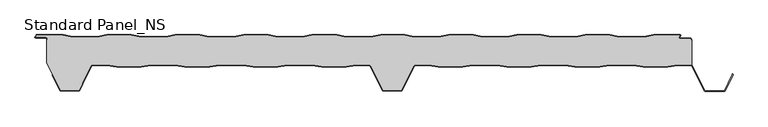
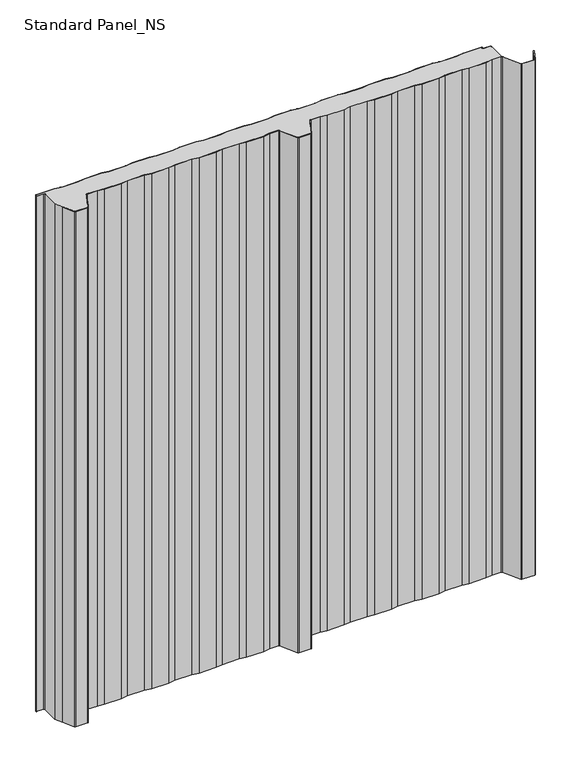
"""IFC4 building model written with IfcOpenShell, lengths in millimetres: proxy geometry, Standard Panel_NS."""

from ifc_helpers import new_model, si_unit, point, frame, frame_2d, origin, origin_with_axes, place, context, project, spatial, polyline, circle_curve, trimmed, segment, composite_curve, outline, extrude, source, transform, mapped, element, save
from ifc_brep_helpers import plane_surface, cylinder_surface, revolved_surface, advanced_brep


def standard_panel_ns_221d52ac(model_context):
    return source(origin(), model_context, "Body", "SolidModel", [
        advanced_brep(
        [(-464.8660923, -46.7, 1219.2), (-442.3904103, -46.7, 1219.2), (-427.5510173, -49.2, 1219.2), (-389.4758059, -49.2, 1219.2), (-374.6364129, -46.7, 1219.2), (-336.3904103, -46.7, 1219.2), (-321.5510173, -49.2, 1219.2), (-283.4758059, -49.2, 1219.2), (-268.6364129, -46.7, 1219.2), (-230.3904103, -46.7, 1219.2), (-215.5510173, -49.2, 1219.2), (-177.4758059, -49.2, 1219.2), (-162.6364129, -46.7, 1219.2), (-124.3904103, -46.7, 1219.2), (-109.5510173, -49.2, 1219.2), (-71.4758059, -49.2, 1219.2), (-56.6364129, -46.7, 1219.2), (-36.4221814, -46.7, 1219.2), (-33.648765, -48.415023, 1219.2), (-14.9196128, -85.9201502, 1219.2), (-13.5776371, -86.75, 1219.2), (13.5778186, -86.75, 1219.2), (14.9197943, -85.9201502, 1219.2), (33.6489464, -48.415023, 1219.2), (36.4223629, -46.7, 1219.2), (56.6365943, -46.7, 1219.2), (71.4759874, -49.2, 1219.2), (109.5511987, -49.2, 1219.2), (124.3905918, -46.7, 1219.2), (162.6365943, -46.7, 1219.2), (177.4759874, -49.2, 1219.2), (215.5511987, -49.2, 1219.2), (230.3905918, -46.7, 1219.2), (268.6365943, -46.7, 1219.2), (283.4759874, -49.2, 1219.2), (321.5511987, -49.2, 1219.2), (336.3905918, -46.7, 1219.2), (374.6365943, -46.7, 1219.2), (389.4759874, -49.2, 1219.2), (427.5511987, -49.2, 1219.2), (442.3905918, -46.7, 1219.2), (462.60413, -46.7, 1219.2), (464.2327461, -47.1622719, 1219.2), (464.2, -9.4, 1219.2), (463.3617336, -9.4, 1219.2), (463.3617336, -7.4001714, 1219.2), (462.0617343, -6.1001721, 1219.2), (446.4756642, -6.1001721, 1219.2), (444.965675, -3.3204106, 1219.2), (446.6010518, -0.8, 1219.2), (405.4929437, -0.8, 1219.2), (390.4929437, -3.3, 1219.2), (352.3605236, -3.3, 1219.2), (337.3605236, -0.8, 1219.2), (299.4929437, -0.8, 1219.2), (284.4929437, -3.3, 1219.2), (246.3605236, -3.3, 1219.2), (231.3605236, -0.8, 1219.2), (193.4929437, -0.8, 1219.2), (178.4929437, -3.3, 1219.2), (140.3605236, -3.3, 1219.2), (125.3605236, -0.8, 1219.2), (87.4929437, -0.8, 1219.2), (72.4929437, -3.3, 1219.2), (34.3605236, -3.3, 1219.2), (19.3605236, -0.8, 1219.2), (-18.0070563, -0.8, 1219.2), (-33.0070563, -3.3, 1219.2), (-71.1394764, -3.3, 1219.2), (-86.1394764, -0.8, 1219.2), (-124.5070563, -0.8, 1219.2), (-139.5070563, -3.3, 1219.2), (-177.6394764, -3.3, 1219.2), (-192.6394764, -0.8, 1219.2), (-230.5070563, -0.8, 1219.2), (-245.5070563, -3.3, 1219.2), (-283.6394764, -3.3, 1219.2), (-298.6394764, -0.8, 1219.2), (-336.5070563, -0.8, 1219.2), (-351.5070563, -3.3, 1219.2), (-389.6394764, -3.3, 1219.2), (-404.6394764, -0.8, 1219.2), (-442.5070563, -0.8, 1219.2), (-457.5070563, -3.3, 1219.2), (-495.6394764, -3.3, 1219.2), (-510.6394764, -0.8, 1219.2), (-551.4916498, -0.8, 1219.2), (-553.5680922, -4.0001723, 1219.2), (-537.2382661, -4.0001723, 1219.2), (-535.0382664, -6.2001721, 1219.2), (-535.0382664, -8.130172, 1219.2), (-535.8382664, -8.130172, 1219.2), (-535.7998185, -44.25, 1219.2), (-514.9196128, -85.9201502, 1219.2), (-513.5776371, -86.75, 1219.2), (-486.4221814, -86.75, 1219.2), (-485.0802057, -85.9201502, 1219.2), (-480.840508, -77.4301555, 1219.2), (-480.6503205, -75.7702853, 1219.2), (-480.4229673, -75.0045421, 1219.2), (-466.9237884, -47.9724364, 1219.2), (-464.8660923, -46.7, 0.0), (-466.9237884, -47.9724364, 0.0), (-480.4229673, -75.0045421, 0.0), (-480.6503205, -75.7702853, 0.0), (-480.840508, -77.4301555, 0.0), (-485.0802057, -85.9201502, 0.0), (-486.4221814, -86.75, 0.0), (-513.5776371, -86.75, 0.0), (-514.9196128, -85.9201502, 0.0), (-535.7286766, -44.25, 0.0), (-535.8382664, -8.130172, 0.0), (-535.0382664, -8.130172, 0.0), (-535.0382664, -6.2001721, 0.0), (-537.2382661, -4.0001723, 0.0), (-553.5680922, -4.0001723, 0.0), (-551.4916498, -0.8, 0.0), (-510.6394764, -0.8, 0.0), (-495.6394764, -3.3, 0.0), (-457.5070563, -3.3, 0.0), (-442.5070563, -0.8, 0.0), (-404.6394764, -0.8, 0.0), (-389.6394764, -3.3, 0.0), (-351.5070563, -3.3, 0.0), (-336.5070563, -0.8, 0.0), (-298.6394764, -0.8, 0.0), (-283.6394764, -3.3, 0.0), (-245.5070563, -3.3, 0.0), (-230.5070563, -0.8, 0.0), (-192.6394764, -0.8, 0.0), (-177.6394764, -3.3, 0.0), (-139.5070563, -3.3, 0.0), (-124.5070563, -0.8, 0.0), (-86.1394764, -0.8, 0.0), (-71.1394764, -3.3, 0.0), (-33.0070563, -3.3, 0.0), (-18.0070563, -0.8, 0.0), (19.3605236, -0.8, 0.0), (34.3605236, -3.3, 0.0), (72.4929437, -3.3, 0.0), (87.4929437, -0.8, 0.0), (125.3605236, -0.8, 0.0), (140.3605236, -3.3, 0.0), (178.4929437, -3.3, 0.0), (193.4929437, -0.8, 0.0), (231.3605236, -0.8, 0.0), (246.3605236, -3.3, 0.0), (284.4929437, -3.3, 0.0), (299.4929437, -0.8, 0.0), (337.3605236, -0.8, 0.0), (352.3605236, -3.3, 0.0), (390.4929437, -3.3, 0.0), (405.4929437, -0.8, 0.0), (446.6010518, -0.8, 0.0), (444.965675, -3.3204106, 0.0), (446.4756642, -6.1001721, 0.0), (462.0617343, -6.1001721, 0.0), (463.3617336, -7.4001714, 0.0), (463.3617336, -9.4001722, 0.0), (464.2, -9.4, 0.0), (464.2327461, -47.1622719, 0.0), (462.60413, -46.7, 0.0), (442.3905918, -46.7, 0.0), (427.5511987, -49.2, 0.0), (389.4759874, -49.2, 0.0), (374.6365943, -46.7, 0.0), (336.3905918, -46.7, 0.0), (321.5511987, -49.2, 0.0), (283.4759874, -49.2, 0.0), (268.6365943, -46.7, 0.0), (230.3905918, -46.7, 0.0), (215.5511987, -49.2, 0.0), (177.4759874, -49.2, 0.0), (162.6365943, -46.7, 0.0), (124.3905918, -46.7, 0.0), (109.5511987, -49.2, 0.0), (71.4759874, -49.2, 0.0), (56.6365943, -46.7, 0.0), (36.4223629, -46.7, 0.0), (33.6489464, -48.415023, 0.0), (14.9197943, -85.9201502, 0.0), (13.5778186, -86.75, 0.0), (-13.5776371, -86.75, 0.0), (-14.9196128, -85.9201502, 0.0), (-33.648765, -48.415023, 0.0), (-36.4221814, -46.7, 0.0), (-56.6364129, -46.7, 0.0), (-71.4758059, -49.2, 0.0), (-109.5510173, -49.2, 0.0), (-124.3904103, -46.7, 0.0), (-162.6364129, -46.7, 0.0), (-177.4758059, -49.2, 0.0), (-215.5510173, -49.2, 0.0), (-230.3904103, -46.7, 0.0), (-268.6364129, -46.7, 0.0), (-283.4758059, -49.2, 0.0), (-321.5510173, -49.2, 0.0), (-336.3904103, -46.7, 0.0), (-374.6364129, -46.7, 0.0), (-389.4758059, -49.2, 0.0), (-427.5510173, -49.2, 0.0), (-442.3904103, -46.7, 0.0)],
        [
            (0, 1),
            (1, 2),
            (2, 3),
            (3, 4),
            (4, 5),
            (5, 6),
            (6, 7),
            (7, 8),
            (8, 9),
            (9, 10),
            (10, 11),
            (11, 12),
            (12, 13),
            (13, 14),
            (14, 15),
            (15, 16),
            (16, 17),
            (17, 18, circle_curve(frame((-36.4221814, -49.8, 1219.2), z_axis=(0.0, 0.0, -1.0), x_axis=(-1.0, 0.0, 0.0)), 3.1)),
            (18, 19),
            (19, 20, circle_curve(frame((-13.5776371, -85.25, 1219.2), z_axis=(0.0, 0.0, 1.0), x_axis=(-1.0, 0.0, 0.0)), 1.5)),
            (20, 21),
            (21, 22, circle_curve(frame((13.5778186, -85.25, 1219.2), z_axis=(0.0, 0.0, 1.0), x_axis=(-1.0, 0.0, 0.0)), 1.5)),
            (22, 23),
            (23, 24, circle_curve(frame((36.4223629, -49.8, 1219.2), z_axis=(0.0, 0.0, -1.0), x_axis=(-1.0, 0.0, 0.0)), 3.1)),
            (24, 25),
            (25, 26),
            (26, 27),
            (27, 28),
            (28, 29),
            (29, 30),
            (30, 31),
            (31, 32),
            (32, 33),
            (33, 34),
            (34, 35),
            (35, 36),
            (36, 37),
            (37, 38),
            (38, 39),
            (39, 40),
            (40, 41),
            (41, 42, circle_curve(frame((462.60413, -49.8, 1219.2), z_axis=(0.0, 0.0, -1.0), x_axis=(-1.0, 0.0, 0.0)), 3.1)),
            (42, 43),
            (43, 44),
            (44, 45),
            (45, 46, circle_curve(frame((462.0617343, -7.4001714, 1219.2), z_axis=(0.0, 0.0, 1.0), x_axis=(-1.0, 0.0, 0.0)), 1.2999993)),
            (46, 47),
            (47, 48, circle_curve(frame((446.4756642, -4.3001721, 1219.2), z_axis=(0.0, 0.0, -1.0), x_axis=(-1.0, 0.0, 0.0)), 1.8)),
            (48, 49),
            (49, 50),
            (50, 51),
            (51, 52),
            (52, 53),
            (53, 54),
            (54, 55),
            (55, 56),
            (56, 57),
            (57, 58),
            (58, 59),
            (59, 60),
            (60, 61),
            (61, 62),
            (62, 63),
            (63, 64),
            (64, 65),
            (65, 66),
            (66, 67),
            (67, 68),
            (68, 69),
            (69, 70),
            (70, 71),
            (71, 72),
            (72, 73),
            (73, 74),
            (74, 75),
            (75, 76),
            (76, 77),
            (77, 78),
            (78, 79),
            (79, 80),
            (80, 81),
            (81, 82),
            (82, 83),
            (83, 84),
            (84, 85),
            (85, 86),
            (86, 87),
            (87, 88),
            (88, 89, circle_curve(frame((-537.2382661, -6.2001721, 1219.2), z_axis=(0.0, 0.0, -1.0), x_axis=(-1.0, 0.0, 0.0)), 2.1999997)),
            (89, 90),
            (90, 91),
            (91, 92),
            (92, 93),
            (93, 94, circle_curve(frame((-513.5776371, -85.25, 1219.2), z_axis=(0.0, 0.0, 1.0), x_axis=(-1.0, 0.0, 0.0)), 1.5)),
            (94, 95),
            (95, 96, circle_curve(frame((-486.4221814, -85.25, 1219.2), z_axis=(0.0, 0.0, 1.0), x_axis=(-1.0, 0.0, 0.0)), 1.5)),
            (96, 97),
            (97, 98),
            (98, 99, circle_curve(frame((-478.3652712, -76.0321057, 1219.2), z_axis=(0.0, 0.0, -1.0), x_axis=(-1.0, 0.0, 0.0)), 2.3)),
            (99, 100),
            (100, 0, circle_curve(frame((-464.8660923, -49.0, 1219.2), z_axis=(0.0, 0.0, -1.0), x_axis=(-1.0, 0.0, 0.0)), 2.3)),
            (101, 102, circle_curve(frame((-464.8660923, -49.0, 0.0), z_axis=(0.0, 0.0, 1.0), x_axis=(-1.0, 0.0, 0.0)), 2.3)),
            (102, 103),
            (103, 104, circle_curve(frame((-478.3652712, -76.0321057, 0.0), z_axis=(0.0, 0.0, 1.0), x_axis=(-1.0, 0.0, 0.0)), 2.3)),
            (104, 105),
            (105, 106),
            (106, 107, circle_curve(frame((-486.4221814, -85.25, 0.0), z_axis=(0.0, 0.0, -1.0), x_axis=(-1.0, 0.0, 0.0)), 1.5)),
            (107, 108),
            (108, 109, circle_curve(frame((-513.5776371, -85.25, 0.0), z_axis=(0.0, 0.0, -1.0), x_axis=(-1.0, 0.0, 0.0)), 1.5)),
            (109, 110),
            (110, 111),
            (111, 112),
            (112, 113),
            (113, 114, circle_curve(frame((-537.2382661, -6.2001721, 0.0), z_axis=(0.0, 0.0, 1.0), x_axis=(-1.0, 0.0, 0.0)), 2.1999997)),
            (114, 115),
            (115, 116),
            (116, 117),
            (117, 118),
            (118, 119),
            (119, 120),
            (120, 121),
            (121, 122),
            (122, 123),
            (123, 124),
            (124, 125),
            (125, 126),
            (126, 127),
            (127, 128),
            (128, 129),
            (129, 130),
            (130, 131),
            (131, 132),
            (132, 133),
            (133, 134),
            (134, 135),
            (135, 136),
            (136, 137),
            (137, 138),
            (138, 139),
            (139, 140),
            (140, 141),
            (141, 142),
            (142, 143),
            (143, 144),
            (144, 145),
            (145, 146),
            (146, 147),
            (147, 148),
            (148, 149),
            (149, 150),
            (150, 151),
            (151, 152),
            (152, 153),
            (153, 154),
            (154, 155, circle_curve(frame((446.4756642, -4.3001721, 0.0), z_axis=(0.0, 0.0, 1.0), x_axis=(-1.0, 0.0, 0.0)), 1.8)),
            (155, 156),
            (156, 157, circle_curve(frame((462.0617343, -7.4001714, 0.0), z_axis=(0.0, 0.0, -1.0), x_axis=(-1.0, 0.0, 0.0)), 1.2999993)),
            (157, 158),
            (158, 159),
            (159, 160),
            (160, 161, circle_curve(frame((462.60413, -49.8, 0.0), z_axis=(0.0, 0.0, 1.0), x_axis=(-1.0, 0.0, 0.0)), 3.1)),
            (161, 162),
            (162, 163),
            (163, 164),
            (164, 165),
            (165, 166),
            (166, 167),
            (167, 168),
            (168, 169),
            (169, 170),
            (170, 171),
            (171, 172),
            (172, 173),
            (173, 174),
            (174, 175),
            (175, 176),
            (176, 177),
            (177, 178),
            (178, 179, circle_curve(frame((36.4223629, -49.8, 0.0), z_axis=(0.0, 0.0, 1.0), x_axis=(-1.0, 0.0, 0.0)), 3.1)),
            (179, 180),
            (180, 181, circle_curve(frame((13.5778186, -85.25, 0.0), z_axis=(0.0, 0.0, -1.0), x_axis=(-1.0, 0.0, 0.0)), 1.5)),
            (181, 182),
            (182, 183, circle_curve(frame((-13.5776371, -85.25, 0.0), z_axis=(0.0, 0.0, -1.0), x_axis=(-1.0, 0.0, 0.0)), 1.5)),
            (183, 184),
            (184, 185, circle_curve(frame((-36.4221814, -49.8, 0.0), z_axis=(0.0, 0.0, 1.0), x_axis=(-1.0, 0.0, 0.0)), 3.1)),
            (185, 186),
            (186, 187),
            (187, 188),
            (188, 189),
            (189, 190),
            (190, 191),
            (191, 192),
            (192, 193),
            (193, 194),
            (194, 195),
            (195, 196),
            (196, 197),
            (197, 198),
            (198, 199),
            (199, 200),
            (200, 201),
            (201, 101),
            (100, 102),
            (101, 0),
            (99, 103),
            (98, 104),
            (97, 105),
            (96, 106),
            (95, 107),
            (94, 108),
            (93, 109),
            (92, 110),
            (159, 43),
            (42, 160),
            (41, 161),
            (40, 162),
            (39, 163),
            (38, 164),
            (37, 165),
            (36, 166),
            (35, 167),
            (34, 168),
            (33, 169),
            (32, 170),
            (31, 171),
            (30, 172),
            (29, 173),
            (28, 174),
            (27, 175),
            (26, 176),
            (25, 177),
            (24, 178),
            (23, 179),
            (22, 180),
            (21, 181),
            (20, 182),
            (19, 183),
            (18, 184),
            (17, 185),
            (16, 186),
            (15, 187),
            (14, 188),
            (13, 189),
            (12, 190),
            (11, 191),
            (10, 192),
            (9, 193),
            (8, 194),
            (7, 195),
            (6, 196),
            (5, 197),
            (4, 198),
            (3, 199),
            (2, 200),
            (1, 201),
            (158, 44),
            (91, 111),
            (88, 114),
            (113, 89),
            (87, 115),
            (86, 116),
            (85, 117),
            (84, 118),
            (83, 119),
            (82, 120),
            (81, 121),
            (80, 122),
            (79, 123),
            (78, 124),
            (77, 125),
            (76, 126),
            (75, 127),
            (74, 128),
            (73, 129),
            (72, 130),
            (71, 131),
            (70, 132),
            (69, 133),
            (68, 134),
            (67, 135),
            (66, 136),
            (65, 137),
            (64, 138),
            (63, 139),
            (62, 140),
            (61, 141),
            (60, 142),
            (59, 143),
            (58, 144),
            (57, 145),
            (56, 146),
            (55, 147),
            (54, 148),
            (53, 149),
            (52, 150),
            (51, 151),
            (50, 152),
            (49, 153),
            (48, 154),
            (47, 155),
            (46, 156),
            (45, 157),
            (90, 112),
        ],
        [
            plane_surface(frame((9.07e-05, -49.2, 1219.2), z_axis=(0.0, 0.0, 1.0), x_axis=(0.0, -1.0, 0.0))),
            plane_surface(frame((9.07e-05, -49.2, 0.0), z_axis=(0.0, 0.0, -1.0), x_axis=(0.0, -1.0, 0.0))),
            revolved_surface(polyline([(-467.1660923, -49.0, 0.0), (-467.1660923, -49.0, 1219.2)]), (-464.8660923, -49.0, 1219.2), (0.0, 0.0, -1.0)),
            plane_surface(frame((-466.9237884, -47.9724364, 1219.2), z_axis=(0.8946504628058127, -0.44676677293789996, 0.0), x_axis=(0.0, 0.0, -1.0))),
            revolved_surface(polyline([(-480.6652712, -76.0321057, 0.0), (-480.6652712, -76.0321057, 1219.2)]), (-478.3652712, -76.0321057, 1219.2), (0.0, 0.0, -1.0)),
            plane_surface(frame((-480.6503205, -75.7702853, 1219.2), z_axis=(0.9934996737929253, -0.113834960242235, 0.0), x_axis=(0.0, 0.0, -1.0))),
            plane_surface(frame((-480.840508, -77.4301555, 1219.2), z_axis=(0.8946504628055771, -0.44676677293837186, 0.0), x_axis=(0.0, 0.0, -1.0))),
            cylinder_surface(frame((-486.4221814, -85.25, 1219.2), z_axis=(0.0, 0.0, 1.0), x_axis=(-1.0, 0.0, 0.0)), 1.5),
            plane_surface(frame((-486.4221814, -86.75, 1219.2), z_axis=(0.0, -1.0, 0.0), x_axis=(0.0, 0.0, -1.0))),
            cylinder_surface(frame((-513.5776371, -85.25, 1219.2), z_axis=(0.0, 0.0, 1.0), x_axis=(-1.0, 0.0, 0.0)), 1.5),
            plane_surface(frame((-514.9196128, -85.9201502, 1219.2), z_axis=(-0.8946504628064579, -0.44676677293660805, 0.0), x_axis=(0.0, 0.0, -1.0))),
            plane_surface(frame((464.2327461, -44.25, 1219.2), z_axis=(1.0, 0.0, 0.0), x_axis=(0.0, 0.0, -1.0))),
            revolved_surface(polyline([(459.50413, -49.8, 0.0), (459.50413, -49.8, 1219.2)]), (462.60413, -49.8, 1219.2), (0.0, 0.0, -1.0)),
            plane_surface(frame((462.60413, -46.7, 1219.2), z_axis=(0.0, -1.0, 0.0), x_axis=(0.0, 0.0, -1.0))),
            plane_surface(frame((442.3905918, -46.7, 1219.2), z_axis=(0.16612942863435848, -0.9861039564577467, 0.0), x_axis=(0.0, 0.0, -1.0))),
            plane_surface(frame((427.5511987, -49.2, 1219.2), z_axis=(0.0, -1.0, 0.0), x_axis=(0.0, 0.0, -1.0))),
            plane_surface(frame((389.4759874, -49.2, 1219.2), z_axis=(-0.16612942863454067, -0.9861039564577161, 0.0), x_axis=(0.0, 0.0, -1.0))),
            plane_surface(frame((374.6365943, -46.7, 1219.2), z_axis=(0.0, -1.0, 0.0), x_axis=(0.0, 0.0, -1.0))),
            plane_surface(frame((336.3905918, -46.7, 1219.2), z_axis=(0.1661294286345235, -0.986103956457719, 0.0), x_axis=(0.0, 0.0, -1.0))),
            plane_surface(frame((321.5511987, -49.2, 1219.2), z_axis=(0.0, -1.0, 0.0), x_axis=(0.0, 0.0, -1.0))),
            plane_surface(frame((283.4759874, -49.2, 1219.2), z_axis=(-0.16612942863454067, -0.9861039564577161, 0.0), x_axis=(0.0, 0.0, -1.0))),
            plane_surface(frame((268.6365943, -46.7, 1219.2), z_axis=(0.0, -1.0, 0.0), x_axis=(0.0, 0.0, -1.0))),
            plane_surface(frame((230.3905918, -46.7, 1219.2), z_axis=(0.16612942863435848, -0.9861039564577467, 0.0), x_axis=(0.0, 0.0, -1.0))),
            plane_surface(frame((215.5511987, -49.2, 1219.2), z_axis=(0.0, -1.0, 0.0), x_axis=(0.0, 0.0, -1.0))),
            plane_surface(frame((177.4759874, -49.2, 1219.2), z_axis=(-0.16612942863472926, -0.9861039564576843, 0.0), x_axis=(0.0, 0.0, -1.0))),
            plane_surface(frame((162.6365943, -46.7, 1219.2), z_axis=(0.0, -1.0, 0.0), x_axis=(0.0, 0.0, -1.0))),
            plane_surface(frame((124.3905918, -46.7, 1219.2), z_axis=(0.1661294286345235, -0.986103956457719, 0.0), x_axis=(0.0, 0.0, -1.0))),
            plane_surface(frame((109.5511987, -49.2, 1219.2), z_axis=(0.0, -1.0, 0.0), x_axis=(0.0, 0.0, -1.0))),
            plane_surface(frame((71.4759874, -49.2, 1219.2), z_axis=(-0.16612942863435204, -0.9861039564577478, 0.0), x_axis=(0.0, 0.0, -1.0))),
            plane_surface(frame((56.6365943, -46.7, 1219.2), z_axis=(0.0, -1.0, 0.0), x_axis=(0.0, 0.0, -1.0))),
            revolved_surface(polyline([(33.3223629, -49.8, 0.0), (33.3223629, -49.8, 1219.2)]), (36.4223629, -49.8, 1219.2), (0.0, 0.0, -1.0)),
            plane_surface(frame((33.6489464, -48.415023, 1219.2), z_axis=(0.8946504628060804, -0.44676677293736405, 0.0), x_axis=(0.0, 0.0, -1.0))),
            cylinder_surface(frame((13.5778186, -85.25, 1219.2), z_axis=(0.0, 0.0, 1.0), x_axis=(-1.0, 0.0, 0.0)), 1.5),
            plane_surface(frame((13.5778186, -86.75, 1219.2), z_axis=(0.0, -1.0, 0.0), x_axis=(0.0, 0.0, -1.0))),
            cylinder_surface(frame((-13.5776371, -85.25, 1219.2), z_axis=(0.0, 0.0, 1.0), x_axis=(-1.0, 0.0, 0.0)), 1.5),
            plane_surface(frame((-14.9196128, -85.9201502, 1219.2), z_axis=(-0.8946504628059846, -0.4467667729375559, 0.0), x_axis=(0.0, 0.0, -1.0))),
            revolved_surface(polyline([(-39.5221814, -49.8, 0.0), (-39.5221814, -49.8, 1219.2)]), (-36.4221814, -49.8, 1219.2), (0.0, 0.0, -1.0)),
            plane_surface(frame((-36.4221814, -46.7, 1219.2), z_axis=(0.0, -1.0, 0.0), x_axis=(0.0, 0.0, -1.0))),
            plane_surface(frame((-56.6364129, -46.7, 1219.2), z_axis=(0.16612942863461477, -0.9861039564577035, 0.0), x_axis=(0.0, 0.0, -1.0))),
            plane_surface(frame((-71.4758059, -49.2, 1219.2), z_axis=(0.0, -1.0, 0.0), x_axis=(0.0, 0.0, -1.0))),
            plane_surface(frame((-109.5510173, -49.2, 1219.2), z_axis=(-0.16612942863482053, -0.9861039564576689, 0.0), x_axis=(0.0, 0.0, -1.0))),
            plane_surface(frame((-124.3904103, -46.7, 1219.2), z_axis=(0.0, -1.0, 0.0), x_axis=(0.0, 0.0, -1.0))),
            plane_surface(frame((-162.6364129, -46.7, 1219.2), z_axis=(0.16612942863457067, -0.986103956457711, 0.0), x_axis=(0.0, 0.0, -1.0))),
            plane_surface(frame((-177.4758059, -49.2, 1219.2), z_axis=(0.0, -1.0, 0.0), x_axis=(0.0, 0.0, -1.0))),
            plane_surface(frame((-215.5510173, -49.2, 1219.2), z_axis=(-0.16612942863435204, -0.9861039564577478, 0.0), x_axis=(0.0, 0.0, -1.0))),
            plane_surface(frame((-230.3904103, -46.7, 1219.2), z_axis=(0.0, -1.0, 0.0), x_axis=(0.0, 0.0, -1.0))),
            plane_surface(frame((-268.6364129, -46.7, 1219.2), z_axis=(0.1661294286345471, -0.986103956457715, 0.0), x_axis=(0.0, 0.0, -1.0))),
            plane_surface(frame((-283.4758059, -49.2, 1219.2), z_axis=(0.0, -1.0, 0.0), x_axis=(0.0, 0.0, -1.0))),
            plane_surface(frame((-321.5510173, -49.2, 1219.2), z_axis=(-0.16612942863454067, -0.9861039564577161, 0.0), x_axis=(0.0, 0.0, -1.0))),
            plane_surface(frame((-336.3904103, -46.7, 1219.2), z_axis=(0.0, -1.0, 0.0), x_axis=(0.0, 0.0, -1.0))),
            plane_surface(frame((-374.6364129, -46.7, 1219.2), z_axis=(0.1661294286345471, -0.986103956457715, 0.0), x_axis=(0.0, 0.0, -1.0))),
            plane_surface(frame((-389.4758059, -49.2, 1219.2), z_axis=(0.0, -1.0, 0.0), x_axis=(0.0, 0.0, -1.0))),
            plane_surface(frame((-427.5510173, -49.2, 1219.2), z_axis=(-0.16612942863472926, -0.9861039564576843, 0.0), x_axis=(0.0, 0.0, -1.0))),
            plane_surface(frame((-442.3904103, -46.7, 1219.2), z_axis=(0.0, -1.0, 0.0), x_axis=(0.0, 0.0, -1.0))),
            plane_surface(frame((-535.7998185, -9.4, 1219.2), z_axis=(0.0, 1.0, 0.0), x_axis=(0.0, 0.0, -1.0))),
            plane_surface(frame((-535.7998185, -44.25, 1219.2), z_axis=(-1.0, 0.0, 0.0), x_axis=(0.0, 0.0, -1.0))),
            revolved_surface(polyline([(-539.4382658000001, -6.2001721, 0.0), (-539.4382658000001, -6.2001721, 1219.2)]), (-537.2382661, -6.2001721, 1219.2), (0.0, 0.0, -1.0)),
            plane_surface(frame((-537.2382661, -4.0001723, 1219.2), z_axis=(0.0, -1.0, 0.0), x_axis=(0.0, 0.0, -1.0))),
            plane_surface(frame((-553.5680922, -4.0001723, 1219.2), z_axis=(-0.8388828900560089, 0.5443119480328152, 0.0), x_axis=(0.0, 0.0, -1.0))),
            plane_surface(frame((-551.4916498, -0.8, 1219.2), z_axis=(0.0, 1.0, 0.0), x_axis=(0.0, 0.0, -1.0))),
            plane_surface(frame((-510.6394764, -0.8, 1219.2), z_axis=(0.16439898730529637, 0.986393923832154, 0.0), x_axis=(0.0, 0.0, -1.0))),
            plane_surface(frame((-495.6394764, -3.3, 1219.2), z_axis=(0.0, 1.0, 0.0), x_axis=(0.0, 0.0, -1.0))),
            plane_surface(frame((-457.5070563, -3.3, 1219.2), z_axis=(-0.1643989873053497, 0.9863939238321451, 0.0), x_axis=(0.0, 0.0, -1.0))),
            plane_surface(frame((-442.5070563, -0.8, 1219.2), z_axis=(0.0, 1.0, 0.0), x_axis=(0.0, 0.0, -1.0))),
            plane_surface(frame((-404.6394764, -0.8, 1219.2), z_axis=(0.16439898730534544, 0.9863939238321457, 0.0), x_axis=(0.0, 0.0, -1.0))),
            plane_surface(frame((-389.6394764, -3.3, 1219.2), z_axis=(0.0, 1.0, 0.0), x_axis=(0.0, 0.0, -1.0))),
            plane_surface(frame((-351.5070563, -3.3, 1219.2), z_axis=(-0.16439898730537528, 0.9863939238321408, 0.0), x_axis=(0.0, 0.0, -1.0))),
            plane_surface(frame((-336.5070563, -0.8, 1219.2), z_axis=(0.0, 1.0, 0.0), x_axis=(0.0, 0.0, -1.0))),
            plane_surface(frame((-298.6394764, -0.8, 1219.2), z_axis=(0.16439898730518882, 0.9863939238321718, 0.0), x_axis=(0.0, 0.0, -1.0))),
            plane_surface(frame((-283.6394764, -3.3, 1219.2), z_axis=(0.0, 1.0, 0.0), x_axis=(0.0, 0.0, -1.0))),
            plane_surface(frame((-245.5070563, -3.3, 1219.2), z_axis=(-0.16439898730526595, 0.986393923832159, 0.0), x_axis=(0.0, 0.0, -1.0))),
            plane_surface(frame((-230.5070563, -0.8, 1219.2), z_axis=(0.0, 1.0, 0.0), x_axis=(0.0, 0.0, -1.0))),
            plane_surface(frame((-192.6394764, -0.8, 1219.2), z_axis=(0.1643989873054454, 0.9863939238321291, 0.0), x_axis=(0.0, 0.0, -1.0))),
            plane_surface(frame((-177.6394764, -3.3, 1219.2), z_axis=(0.0, 1.0, 0.0), x_axis=(0.0, 0.0, -1.0))),
            plane_surface(frame((-139.5070563, -3.3, 1219.2), z_axis=(-0.16439898730351146, 0.9863939238324514, 0.0), x_axis=(0.0, 0.0, -1.0))),
            plane_surface(frame((-124.5070563, -0.8, 1219.2), z_axis=(0.0, 1.0, 0.0), x_axis=(0.0, 0.0, -1.0))),
            plane_surface(frame((-86.1394764, -0.8, 1219.2), z_axis=(0.16439898730531116, 0.9863939238321515, 0.0), x_axis=(0.0, 0.0, -1.0))),
            plane_surface(frame((-71.1394764, -3.3, 1219.2), z_axis=(0.0, 1.0, 0.0), x_axis=(0.0, 0.0, -1.0))),
            plane_surface(frame((-33.0070563, -3.3, 1219.2), z_axis=(-0.1643989873007139, 0.9863939238329177, 0.0), x_axis=(0.0, 0.0, -1.0))),
            plane_surface(frame((-18.0070563, -0.8, 1219.2), z_axis=(0.0, 1.0, 0.0), x_axis=(0.0, 0.0, -1.0))),
            plane_surface(frame((19.3605236, -0.8, 1219.2), z_axis=(0.16439898730276062, 0.9863939238325765, 0.0), x_axis=(0.0, 0.0, -1.0))),
            plane_surface(frame((34.3605236, -3.3, 1219.2), z_axis=(0.0, 1.0, 0.0), x_axis=(0.0, 0.0, -1.0))),
            plane_surface(frame((72.4929437, -3.3, 1219.2), z_axis=(-0.1643989873053467, 0.9863939238321456, 0.0), x_axis=(0.0, 0.0, -1.0))),
            plane_surface(frame((87.4929437, -0.8, 1219.2), z_axis=(0.0, 1.0, 0.0), x_axis=(0.0, 0.0, -1.0))),
            plane_surface(frame((125.3605236, -0.8, 1219.2), z_axis=(0.1643989873053679, 0.9863939238321421, 0.0), x_axis=(0.0, 0.0, -1.0))),
            plane_surface(frame((140.3605236, -3.3, 1219.2), z_axis=(0.0, 1.0, 0.0), x_axis=(0.0, 0.0, -1.0))),
            plane_surface(frame((178.4929437, -3.3, 1219.2), z_axis=(-0.1643989873053467, 0.9863939238321456, 0.0), x_axis=(0.0, 0.0, -1.0))),
            plane_surface(frame((193.4929437, -0.8, 1219.2), z_axis=(0.0, 1.0, 0.0), x_axis=(0.0, 0.0, -1.0))),
            plane_surface(frame((231.3605236, -0.8, 1219.2), z_axis=(0.16439898730518315, 0.9863939238321728, 0.0), x_axis=(0.0, 0.0, -1.0))),
            plane_surface(frame((246.3605236, -3.3, 1219.2), z_axis=(0.0, 1.0, 0.0), x_axis=(0.0, 0.0, -1.0))),
            plane_surface(frame((284.4929437, -3.3, 1219.2), z_axis=(-0.1643989873053467, 0.9863939238321456, 0.0), x_axis=(0.0, 0.0, -1.0))),
            plane_surface(frame((299.4929437, -0.8, 1219.2), z_axis=(0.0, 1.0, 0.0), x_axis=(0.0, 0.0, -1.0))),
            plane_surface(frame((337.3605236, -0.8, 1219.2), z_axis=(0.1643989873053679, 0.9863939238321421, 0.0), x_axis=(0.0, 0.0, -1.0))),
            plane_surface(frame((352.3605236, -3.3, 1219.2), z_axis=(0.0, 1.0, 0.0), x_axis=(0.0, 0.0, -1.0))),
            plane_surface(frame((390.4929437, -3.3, 1219.2), z_axis=(-0.16439898730516195, 0.9863939238321764, 0.0), x_axis=(0.0, 0.0, -1.0))),
            plane_surface(frame((405.4929437, -0.8, 1219.2), z_axis=(0.0, 1.0, 0.0), x_axis=(0.0, 0.0, -1.0))),
            plane_surface(frame((446.6010518, -0.8, 1219.2), z_axis=(0.8388828900539764, -0.5443119480359477, 0.0), x_axis=(0.0, 0.0, -1.0))),
            revolved_surface(polyline([(444.67566419999997, -4.3001721, 0.0), (444.67566419999997, -4.3001721, 1219.2)]), (446.4756642, -4.3001721, 1219.2), (0.0, 0.0, -1.0)),
            plane_surface(frame((446.4756642, -6.1001721, 1219.2), z_axis=(0.0, 1.0, 0.0), x_axis=(0.0, 0.0, -1.0))),
            cylinder_surface(frame((462.0617343, -7.4001714, 1219.2), z_axis=(0.0, 0.0, 1.0), x_axis=(-1.0, 0.0, 0.0)), 1.2999993),
            plane_surface(frame((463.3617336, -7.4001714, 1219.2), z_axis=(1.0, 0.0, 0.0), x_axis=(0.0, 0.0, -1.0))),
            plane_surface(frame((-535.8382664, -8.130172, 1219.2), z_axis=(0.0, 1.0, 0.0), x_axis=(0.0, 0.0, -1.0))),
            plane_surface(frame((-535.0382664, -8.130172, 1219.2), z_axis=(-1.0, 0.0, 0.0), x_axis=(0.0, 0.0, -1.0))),
        ],
        [
            (0, [[1, 2, 3, 4, 5, 6, 7, 8, 9, 10, 11, 12, 13, 14, 15, 16, 17, 18, 19, 20, 21, 22, 23, 24, 25, 26, 27, 28, 29, 30, 31, 32, 33, 34, 35, 36, 37, 38, 39, 40, 41, 42, 43, 44, 45, 46, 47, 48, 49, 50, 51, 52, 53, 54, 55, 56, 57, 58, 59, 60, 61, 62, 63, 64, 65, 66, 67, 68, 69, 70, 71, 72, 73, 74, 75, 76, 77, 78, 79, 80, 81, 82, 83, 84, 85, 86, 87, 88, 89, 90, 91, 92, 93, 94, 95, 96, 97, 98, 99, 100, 101]]),
            (1, [[102, 103, 104, 105, 106, 107, 108, 109, 110, 111, 112, 113, 114, 115, 116, 117, 118, 119, 120, 121, 122, 123, 124, 125, 126, 127, 128, 129, 130, 131, 132, 133, 134, 135, 136, 137, 138, 139, 140, 141, 142, 143, 144, 145, 146, 147, 148, 149, 150, 151, 152, 153, 154, 155, 156, 157, 158, 159, 160, 161, 162, 163, 164, 165, 166, 167, 168, 169, 170, 171, 172, 173, 174, 175, 176, 177, 178, 179, 180, 181, 182, 183, 184, 185, 186, 187, 188, 189, 190, 191, 192, 193, 194, 195, 196, 197, 198, 199, 200, 201, 202]]),
            (2, [[203, -102, 204, -101]]),
            (3, [[205, -103, -203, -100]]),
            (4, [[206, -104, -205, -99]]),
            (5, [[207, -105, -206, -98]]),
            (6, [[208, -106, -207, -97]]),
            (7, [[209, -107, -208, -96]]),
            (8, [[210, -108, -209, -95]]),
            (9, [[211, -109, -210, -94]]),
            (10, [[212, -110, -211, -93]]),
            (11, [[-160, 213, -43, 214]]),
            (12, [[215, -161, -214, -42]]),
            (13, [[216, -162, -215, -41]]),
            (14, [[217, -163, -216, -40]]),
            (15, [[218, -164, -217, -39]]),
            (16, [[219, -165, -218, -38]]),
            (17, [[220, -166, -219, -37]]),
            (18, [[221, -167, -220, -36]]),
            (19, [[222, -168, -221, -35]]),
            (20, [[223, -169, -222, -34]]),
            (21, [[224, -170, -223, -33]]),
            (22, [[225, -171, -224, -32]]),
            (23, [[226, -172, -225, -31]]),
            (24, [[227, -173, -226, -30]]),
            (25, [[228, -174, -227, -29]]),
            (26, [[229, -175, -228, -28]]),
            (27, [[230, -176, -229, -27]]),
            (28, [[231, -177, -230, -26]]),
            (29, [[232, -178, -231, -25]]),
            (30, [[233, -179, -232, -24]]),
            (31, [[234, -180, -233, -23]]),
            (32, [[235, -181, -234, -22]]),
            (33, [[236, -182, -235, -21]]),
            (34, [[237, -183, -236, -20]]),
            (35, [[238, -184, -237, -19]]),
            (36, [[239, -185, -238, -18]]),
            (37, [[240, -186, -239, -17]]),
            (38, [[241, -187, -240, -16]]),
            (39, [[242, -188, -241, -15]]),
            (40, [[243, -189, -242, -14]]),
            (41, [[244, -190, -243, -13]]),
            (42, [[245, -191, -244, -12]]),
            (43, [[246, -192, -245, -11]]),
            (44, [[247, -193, -246, -10]]),
            (45, [[248, -194, -247, -9]]),
            (46, [[249, -195, -248, -8]]),
            (47, [[250, -196, -249, -7]]),
            (48, [[251, -197, -250, -6]]),
            (49, [[252, -198, -251, -5]]),
            (50, [[253, -199, -252, -4]]),
            (51, [[254, -200, -253, -3]]),
            (52, [[255, -201, -254, -2]]),
            (53, [[-204, -202, -255, -1]]),
            (54, [[-159, 256, -44, -213]]),
            (55, [[257, -111, -212, -92]]),
            (56, [[258, -114, 259, -89]]),
            (57, [[260, -115, -258, -88]]),
            (58, [[261, -116, -260, -87]]),
            (59, [[262, -117, -261, -86]]),
            (60, [[263, -118, -262, -85]]),
            (61, [[264, -119, -263, -84]]),
            (62, [[265, -120, -264, -83]]),
            (63, [[266, -121, -265, -82]]),
            (64, [[267, -122, -266, -81]]),
            (65, [[268, -123, -267, -80]]),
            (66, [[269, -124, -268, -79]]),
            (67, [[270, -125, -269, -78]]),
            (68, [[271, -126, -270, -77]]),
            (69, [[272, -127, -271, -76]]),
            (70, [[273, -128, -272, -75]]),
            (71, [[274, -129, -273, -74]]),
            (72, [[275, -130, -274, -73]]),
            (73, [[276, -131, -275, -72]]),
            (74, [[277, -132, -276, -71]]),
            (75, [[278, -133, -277, -70]]),
            (76, [[279, -134, -278, -69]]),
            (77, [[280, -135, -279, -68]]),
            (78, [[281, -136, -280, -67]]),
            (79, [[282, -137, -281, -66]]),
            (80, [[283, -138, -282, -65]]),
            (81, [[284, -139, -283, -64]]),
            (82, [[285, -140, -284, -63]]),
            (83, [[286, -141, -285, -62]]),
            (84, [[287, -142, -286, -61]]),
            (85, [[288, -143, -287, -60]]),
            (86, [[289, -144, -288, -59]]),
            (87, [[290, -145, -289, -58]]),
            (88, [[291, -146, -290, -57]]),
            (89, [[292, -147, -291, -56]]),
            (90, [[293, -148, -292, -55]]),
            (91, [[294, -149, -293, -54]]),
            (92, [[295, -150, -294, -53]]),
            (93, [[296, -151, -295, -52]]),
            (94, [[297, -152, -296, -51]]),
            (95, [[298, -153, -297, -50]]),
            (96, [[299, -154, -298, -49]]),
            (97, [[300, -155, -299, -48]]),
            (98, [[301, -156, -300, -47]]),
            (99, [[302, -157, -301, -46]]),
            (100, [[-256, -158, -302, -45]]),
            (101, [[303, -112, -257, -91]]),
            (102, [[-259, -113, -303, -90]]),
        ],
    ),
        extrude(outline(composite_curve([segment(trimmed(circle_curve(frame_2d((-537.2382661, -6.2001721)), 1.3999997), [point((-535.8382664, -6.2001721))], [point((-537.2382661, -4.8001723))], True, "CARTESIAN"), True, "CONTINUOUS"), segment(polyline([(-537.2382661, -4.8001723), (-553.1999093, -4.8001723)]), True, "CONTINUOUS"), segment(trimmed(circle_curve(frame_2d((-553.1999093, -3.8001723)), 1.0), [point((-553.1999093, -4.8001723))], [point((-554.0387922, -3.2558604))], False, "CARTESIAN"), True, "CONTINUOUS"), segment(polyline([(-554.0387922, -3.2558604), (-552.2218911, -0.4556881)]), True, "CONTINUOUS"), segment(trimmed(circle_curve(frame_2d((-551.3830082, -1.0)), 1.0), [point((-552.2218911, -0.4556881))], [point((-551.3830082, 0.0))], False, "CARTESIAN"), True, "CONTINUOUS"), segment(polyline([(-551.3830082, 0.0), (-510.5732664, 0.0), (-495.5732664, -2.5), (-457.5732664, -2.5), (-442.5732664, 0.0), (-404.5732664, 0.0), (-389.5732664, -2.5), (-351.5732664, -2.5), (-336.5732664, 0.0), (-298.5732664, 0.0), (-283.5732664, -2.5), (-245.5732664, -2.5), (-230.5732664, 0.0), (-192.5732664, 0.0), (-177.5732664, -2.5), (-139.5732664, -2.5), (-124.5732664, 0.0), (-86.0732664, 0.0), (-71.0732664, -2.5), (-33.0732664, -2.5), (-18.0732664, 0.0), (19.4267336, 0.0), (34.4267336, -2.5), (72.4267336, -2.5), (87.4267336, 0.0), (125.4267336, 0.0), (140.4267336, -2.5), (178.4267336, -2.5), (193.4267336, 0.0), (231.4267336, 0.0), (246.4267336, -2.5), (284.4267336, -2.5), (299.4267336, 0.0), (337.4267336, 0.0), (352.4267336, -2.5), (390.4267336, -2.5), (405.4267336, 0.0), (446.2328688, 0.0)]), True, "CONTINUOUS"), segment(trimmed(circle_curve(frame_2d((446.2328688, -1.0)), 1.0), [point((446.2328688, 0.0))], [point((447.0717517, -1.5443119))], False, "CARTESIAN"), True, "CONTINUOUS"), segment(polyline([(447.0717517, -1.5443119), (445.6367813, -3.7558601)]), True, "CONTINUOUS"), segment(trimmed(circle_curve(frame_2d((446.4756642, -4.3001721)), 1.0), [point((445.6367813, -3.7558601))], [point((446.4756642, -5.3001721))], True, "CARTESIAN"), True, "CONTINUOUS"), segment(polyline([(446.4756642, -5.3001721), (462.0617343, -5.3001721)]), True, "CONTINUOUS"), segment(trimmed(circle_curve(frame_2d((462.0617343, -7.4001714)), 2.0999993), [point((462.0617343, -5.3001721))], [point((464.1617336, -7.4001714))], False, "CARTESIAN"), True, "CONTINUOUS"), segment(polyline([(464.1617336, -7.4001714), (464.1617336, -9.4001722), (463.3617336, -9.4001722), (463.3617336, -7.4001714)]), True, "CONTINUOUS"), segment(trimmed(circle_curve(frame_2d((462.0617343, -7.4001714)), 1.2999993), [point((463.3617336, -7.4001714))], [point((462.0617343, -6.1001721))], True, "CARTESIAN"), True, "CONTINUOUS"), segment(polyline([(462.0617343, -6.1001721), (446.4756642, -6.1001721)]), True, "CONTINUOUS"), segment(trimmed(circle_curve(frame_2d((446.4756642, -4.3001721)), 1.8), [point((446.4756642, -6.1001721))], [point((444.965675, -3.3204106))], False, "CARTESIAN"), True, "CONTINUOUS"), segment(polyline([(444.965675, -3.3204106), (446.6010518, -0.8), (405.4929437, -0.8), (390.4929437, -3.3), (352.3605236, -3.3), (337.3605236, -0.8), (299.4929437, -0.8), (284.4929437, -3.3), (246.3605236, -3.3), (231.3605236, -0.8), (193.4929437, -0.8), (178.4929437, -3.3), (140.3605236, -3.3), (125.3605236, -0.8), (87.4929437, -0.8), (72.4929437, -3.3), (34.3605236, -3.3), (19.3605236, -0.8), (-18.0070563, -0.8), (-33.0070563, -3.3), (-71.1394764, -3.3), (-86.1394764, -0.8), (-124.5070563, -0.8), (-139.5070563, -3.3), (-177.6394764, -3.3), (-192.6394764, -0.8), (-230.5070563, -0.8), (-245.5070563, -3.3), (-283.6394764, -3.3), (-298.6394764, -0.8), (-336.5070563, -0.8), (-351.5070563, -3.3), (-389.6394764, -3.3), (-404.6394764, -0.8), (-442.5070563, -0.8), (-457.5070563, -3.3), (-495.6394764, -3.3), (-510.6394764, -0.8), (-551.4916498, -0.8), (-553.5680922, -4.0001723), (-537.2382661, -4.0001723)]), True, "CONTINUOUS"), segment(trimmed(circle_curve(frame_2d((-537.2382661, -6.2001721)), 2.1999997), [point((-537.2382661, -4.0001723))], [point((-535.0382664, -6.2001721))], False, "CARTESIAN"), True, "CONTINUOUS"), segment(polyline([(-535.0382664, -6.2001721), (-535.0382664, -8.130172), (-535.8382664, -8.130172), (-535.8382664, -6.2001721)]), True, "CONTINUOUS")], self_intersect=False)), origin_with_axes(), (0.0, 0.0, 1.0), 1219.2),
        extrude(outline(composite_curve([segment(polyline([(-464.8660923, -46.7), (-442.3904103, -46.7), (-427.5510173, -49.2), (-389.4758059, -49.2), (-374.6364129, -46.7), (-336.3904103, -46.7), (-321.5510173, -49.2), (-283.4758059, -49.2), (-268.6364129, -46.7), (-230.3904103, -46.7), (-215.5510173, -49.2), (-177.4758059, -49.2), (-162.6364129, -46.7), (-124.3904103, -46.7), (-109.5510173, -49.2), (-71.4758059, -49.2), (-56.6364129, -46.7), (-36.4221814, -46.7)]), True, "CONTINUOUS"), segment(trimmed(circle_curve(frame_2d((-36.4221814, -49.8)), 3.1), [point((-36.4221814, -46.7))], [point((-33.648765, -48.415023))], False, "CARTESIAN"), True, "CONTINUOUS"), segment(polyline([(-33.648765, -48.415023), (-14.9196128, -85.9201502)]), True, "CONTINUOUS"), segment(trimmed(circle_curve(frame_2d((-13.5776371, -85.25)), 1.5), [point((-14.9196128, -85.9201502))], [point((-13.5776371, -86.75))], True, "CARTESIAN"), True, "CONTINUOUS"), segment(polyline([(-13.5776371, -86.75), (13.5778186, -86.75)]), True, "CONTINUOUS"), segment(trimmed(circle_curve(frame_2d((13.5778186, -85.25)), 1.5), [point((13.5778186, -86.75))], [point((14.9197943, -85.9201502))], True, "CARTESIAN"), True, "CONTINUOUS"), segment(polyline([(14.9197943, -85.9201502), (33.6489464, -48.415023)]), True, "CONTINUOUS"), segment(trimmed(circle_curve(frame_2d((36.4223629, -49.8)), 3.1), [point((33.6489464, -48.415023))], [point((36.4223629, -46.7))], False, "CARTESIAN"), True, "CONTINUOUS"), segment(polyline([(36.4223629, -46.7), (56.6365943, -46.7), (71.4759874, -49.2), (109.5511987, -49.2), (124.3905918, -46.7), (162.6365943, -46.7), (177.4759874, -49.2), (215.5511987, -49.2), (230.3905918, -46.7), (268.6365943, -46.7), (283.4759874, -49.2), (321.5511987, -49.2), (336.3905918, -46.7), (374.6365943, -46.7), (389.4759874, -49.2), (427.5511987, -49.2), (442.3905918, -46.7), (462.60413, -46.7)]), True, "CONTINUOUS"), segment(trimmed(circle_curve(frame_2d((462.60413, -49.8)), 3.1), [point((462.60413, -46.7))], [point((465.37815, -48.4162325))], False, "CARTESIAN"), True, "CONTINUOUS"), segment(polyline([(465.37815, -48.4162325), (484.5804417, -86.910808)]), True, "CONTINUOUS"), segment(trimmed(circle_curve(frame_2d((485.9227095, -86.241243)), 1.5), [point((484.5804417, -86.910808))], [point((485.9227095, -87.741243))], True, "CARTESIAN"), True, "CONTINUOUS"), segment(polyline([(485.9227095, -87.741243), (514.0774719, -87.741243)]), True, "CONTINUOUS"), segment(trimmed(circle_curve(frame_2d((514.0774719, -86.241243)), 1.5), [point((514.0774719, -87.741243))], [point((515.4194476, -86.9113932))], True, "CARTESIAN"), True, "CONTINUOUS"), segment(polyline([(515.4194476, -86.9113932), (521.4855253, -74.7640727), (520.7698049, -74.4066593), (527.1138931, -61.7026227)]), True, "CONTINUOUS"), segment(trimmed(circle_curve(frame_2d((527.8296135, -62.0600361)), 0.8), [point((527.1138931, -61.7026227))], [point((528.5453338, -62.4174495))], False, "CARTESIAN"), True, "CONTINUOUS"), segment(polyline([(528.5453338, -62.4174495), (516.135168, -87.2688066)]), True, "CONTINUOUS"), segment(trimmed(circle_curve(frame_2d((514.0774719, -86.241243)), 2.3), [point((516.135168, -87.2688066))], [point((514.0774719, -88.541243))], False, "CARTESIAN"), True, "CONTINUOUS"), segment(polyline([(514.0774719, -88.541243), (485.9227095, -88.541243)]), True, "CONTINUOUS"), segment(trimmed(circle_curve(frame_2d((485.9227095, -86.241243)), 2.3), [point((485.9227095, -88.541243))], [point((483.8645656, -87.2679093))], False, "CARTESIAN"), True, "CONTINUOUS"), segment(polyline([(483.8645656, -87.2679093), (464.6622739, -48.7733338)]), True, "CONTINUOUS"), segment(trimmed(circle_curve(frame_2d((462.60413, -49.8)), 2.3), [point((464.6622739, -48.7733338))], [point((462.60413, -47.5))], True, "CARTESIAN"), True, "CONTINUOUS"), segment(polyline([(462.60413, -47.5), (442.4575085, -47.5), (427.6181154, -50.0), (389.4090707, -50.0), (374.5696776, -47.5), (336.4575085, -47.5), (321.6181154, -50.0), (283.4090707, -50.0), (268.5696776, -47.5), (230.4575085, -47.5), (215.6181154, -50.0), (177.4090707, -50.0), (162.5696776, -47.5), (124.4575085, -47.5), (109.6181154, -50.0), (71.4090707, -50.0), (56.5696776, -47.5), (36.4223629, -47.5)]), True, "CONTINUOUS"), segment(trimmed(circle_curve(frame_2d((36.4223629, -49.8)), 2.3), [point((36.4223629, -47.5))], [point((34.3646668, -48.7724364))], True, "CARTESIAN"), True, "CONTINUOUS"), segment(polyline([(34.3646668, -48.7724364), (15.6355147, -86.2775636)]), True, "CONTINUOUS"), segment(trimmed(circle_curve(frame_2d((13.5778186, -85.25)), 2.3), [point((15.6355147, -86.2775636))], [point((13.5778186, -87.55))], False, "CARTESIAN"), True, "CONTINUOUS"), segment(polyline([(13.5778186, -87.55), (-13.5776371, -87.55)]), True, "CONTINUOUS"), segment(trimmed(circle_curve(frame_2d((-13.5776371, -85.25)), 2.3), [point((-13.5776371, -87.55))], [point((-15.6353332, -86.2775636))], False, "CARTESIAN"), True, "CONTINUOUS"), segment(polyline([(-15.6353332, -86.2775636), (-34.3644853, -48.7724364)]), True, "CONTINUOUS"), segment(trimmed(circle_curve(frame_2d((-36.4221814, -49.8)), 2.3), [point((-34.3644853, -48.7724364))], [point((-36.4221814, -47.5))], True, "CARTESIAN"), True, "CONTINUOUS"), segment(polyline([(-36.4221814, -47.5), (-56.5694962, -47.5), (-71.4088892, -50.0), (-109.617934, -50.0), (-124.4573271, -47.5), (-162.5694962, -47.5), (-177.4088892, -50.0), (-215.617934, -50.0), (-230.4573271, -47.5), (-268.5694962, -47.5), (-283.4088892, -50.0), (-321.617934, -50.0), (-336.4573271, -47.5), (-374.5694962, -47.5), (-389.4088892, -50.0), (-427.617934, -50.0), (-442.4573271, -47.5), (-464.8660923, -47.5)]), True, "CONTINUOUS"), segment(trimmed(circle_curve(frame_2d((-464.8660923, -49.0)), 1.5), [point((-464.8660923, -47.5))], [point((-466.208068, -48.3298498))], True, "CARTESIAN"), True, "CONTINUOUS"), segment(polyline([(-466.208068, -48.3298498), (-479.8254125, -75.5985821), (-480.061766, -77.6613681), (-484.3644853, -86.2775636)]), True, "CONTINUOUS"), segment(trimmed(circle_curve(frame_2d((-486.4221814, -85.25)), 2.3), [point((-484.3644853, -86.2775636))], [point((-486.4221814, -87.55))], False, "CARTESIAN"), True, "CONTINUOUS"), segment(polyline([(-486.4221814, -87.55), (-513.5776371, -87.55)]), True, "CONTINUOUS"), segment(trimmed(circle_curve(frame_2d((-513.5776371, -85.25)), 2.3), [point((-513.5776371, -87.55))], [point((-515.6353332, -86.2775636))], False, "CARTESIAN"), True, "CONTINUOUS"), segment(polyline([(-515.6353332, -86.2775636), (-527.5093789, -62.499787), (-526.7936585, -62.1423736), (-514.9196128, -85.9201502)]), True, "CONTINUOUS"), segment(trimmed(circle_curve(frame_2d((-513.5776371, -85.25)), 1.5), [point((-514.9196128, -85.9201502))], [point((-513.5776371, -86.75))], True, "CARTESIAN"), True, "CONTINUOUS"), segment(polyline([(-513.5776371, -86.75), (-486.4221814, -86.75)]), True, "CONTINUOUS"), segment(trimmed(circle_curve(frame_2d((-486.4221814, -85.25)), 1.5), [point((-486.4221814, -86.75))], [point((-485.0802057, -85.9201502))], True, "CARTESIAN"), True, "CONTINUOUS"), segment(polyline([(-485.0802057, -85.9201502), (-480.840508, -77.4301555), (-480.6503205, -75.7702853)]), True, "CONTINUOUS"), segment(trimmed(circle_curve(frame_2d((-478.3652712, -76.0321057)), 2.3), [point((-480.6503205, -75.7702853))], [point((-480.4229673, -75.0045421))], False, "CARTESIAN"), True, "CONTINUOUS"), segment(polyline([(-480.4229673, -75.0045421), (-466.9237884, -47.9724364)]), True, "CONTINUOUS"), segment(trimmed(circle_curve(frame_2d((-464.8660923, -49.0)), 2.3), [point((-466.9237884, -47.9724364))], [point((-464.8660923, -46.7))], False, "CARTESIAN"), True, "CONTINUOUS")], self_intersect=False)), origin_with_axes(), (0.0, 0.0, 1.0), 1219.2),
    ])


if __name__ == "__main__":
    model = new_model("IFC4")
    model_context = context("Model", 3, world=origin())
    ifc_project = project(units=[si_unit("LENGTHUNIT", "METRE", prefix="MILLI")], contexts=[model_context])
    site = spatial("IfcSite", under=ifc_project)
    building = spatial("IfcBuilding", under=site)
    placement = place(None, origin())
    standard_panel_ns_shape = standard_panel_ns_221d52ac(model_context)
    element("IfcBuildingElementProxy", 1, Name="Standard Panel_NS", ObjectType="Standard Panel_NS", at=placement, inside=building, context=model_context, shape_type="MappedRepresentation", body=[
        mapped(standard_panel_ns_shape, transform((0.0, 0.0, 0.0), x_axis=(1.0, 0.0, 0.0), y_axis=(0.0, 1.0, 0.0), z_axis=(0.0, 0.0, 1.0))),
    ])
    save(model, "model.ifc")
